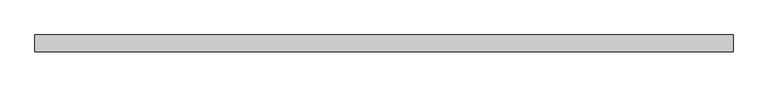
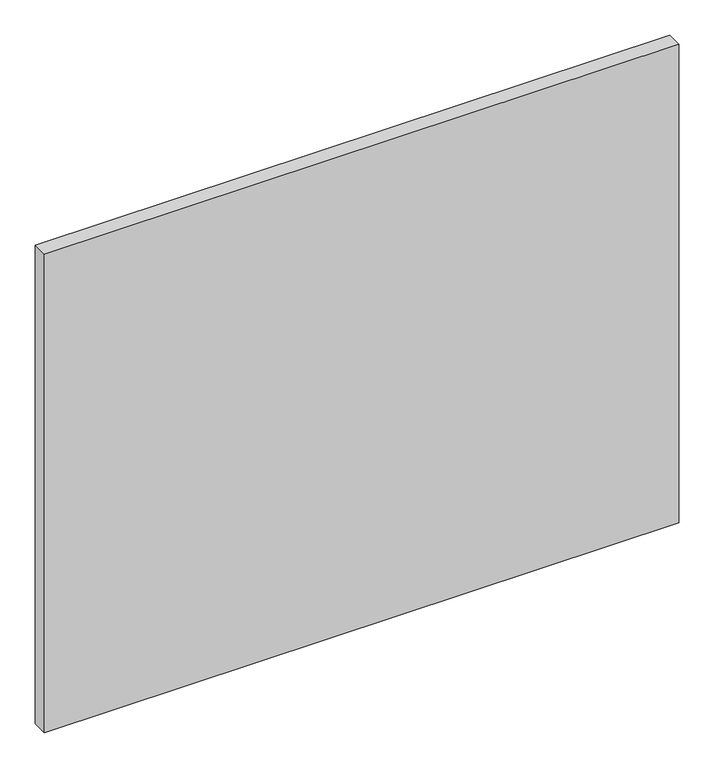
"""IFC4 building model written with IfcOpenShell, lengths in millimetres: plate geometry."""

from ifc_helpers import new_model, si_unit, origin, origin_with_axes, place, context, project, spatial, polyline, outline, extrude, source, transform, mapped, element, save


def plate_8edc4b8c(model_context):
    return source(origin(), model_context, "Body", "SweptSolid", [
        extrude(outline(polyline([(517.4013399, 24.5), (-517.4013399, 24.5), (-517.4013399, 49.5), (517.4013399, 49.5), (517.4013399, 24.5)])), origin_with_axes(), (0.0, 0.0, 1.0), 825.0),
    ])


if __name__ == "__main__":
    model = new_model("IFC4")
    model_context = context("Model", 3, world=origin())
    ifc_project = project(units=[si_unit("LENGTHUNIT", "METRE", prefix="MILLI")], contexts=[model_context])
    site = spatial("IfcSite", under=ifc_project)
    building = spatial("IfcBuilding", under=site)
    placement = place(None, origin())
    plate_shape = plate_8edc4b8c(model_context)
    element("IfcPlate", 1, at=placement, inside=building, context=model_context, shape_type="MappedRepresentation", body=[
        mapped(plate_shape, transform((0.0, 0.0, 0.0), x_axis=(1.0, 0.0, 0.0), y_axis=(0.0, 1.0, 0.0), z_axis=(0.0, 0.0, 1.0))),
    ])
    save(model, "model.ifc")
